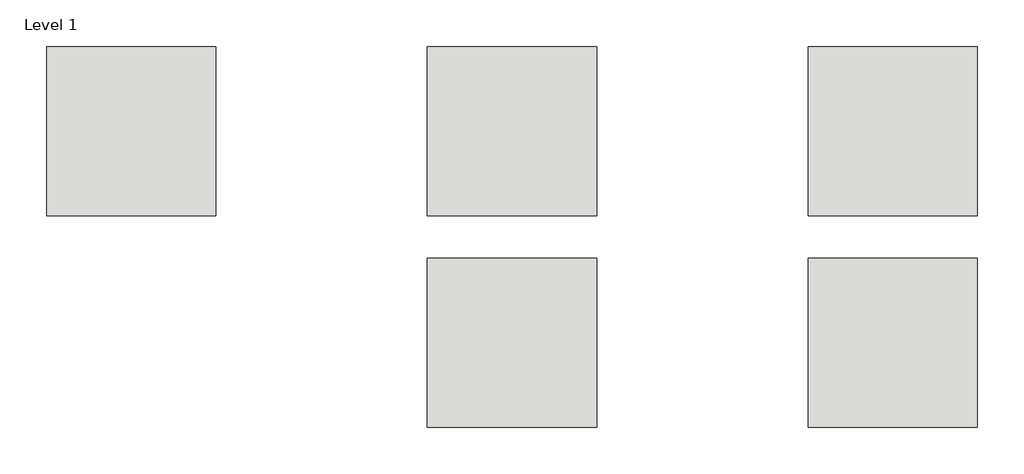
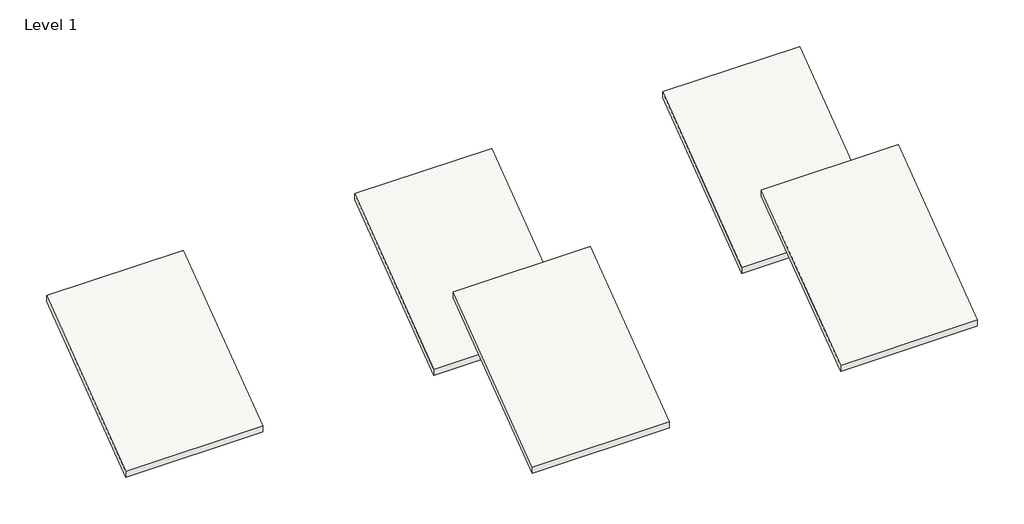
# One storey, part 10 of 10: 5 roofs.
"""IFC4 building model written with IfcOpenShell, lengths in millimetres."""

from ifc_helpers import new_model, si_unit, frame, origin, place, context, project, spatial, polyline, outline, extrude, element, save

model = new_model("IFC4")

# Units and contexts
model_context = context("Model", 3, world=origin())
ifc_project = project(units=[si_unit("LENGTHUNIT", "METRE", prefix="MILLI")], contexts=[model_context])

# Site, building, storey
site = spatial("IfcSite", under=ifc_project)
building = spatial("IfcBuilding", under=site)
storey = spatial("IfcBuildingStorey", under=building, Name="Level 1", Elevation=0.0)

# Roofs
placement = place(None, origin())
element("IfcRoof", 1, at=placement, inside=storey, context=model_context, shape_type="SweptSolid", body=[
    extrude(outline(polyline([(222353.0242732, -45942.0854012), (228449.0242732, -41370.0854012), (228449.0242732, -41655.8354012), (222353.0242732, -46227.8354012), (222353.0242732, -45942.0854012)])), frame((80387.5288668, 0.0, 0.0), z_axis=(1.0, 0.0, 0.0), x_axis=(0.0, 1.0, 0.0)), (0.0, 0.0, 1.0), 6096.0),
])
element("IfcRoof", 2, at=placement, inside=storey, context=model_context, shape_type="SweptSolid", body=[
    extrude(outline(polyline([(222353.0242732, -45942.0854012), (228449.0242732, -41370.0854012), (228449.0242732, -41655.8354012), (222353.0242732, -46227.8354012), (222353.0242732, -45942.0854012)])), frame((94103.5288668, 0.0, 0.0), z_axis=(1.0, 0.0, 0.0), x_axis=(0.0, 1.0, 0.0)), (0.0, 0.0, 1.0), 6096.0),
])
element("IfcRoof", 3, at=placement, inside=storey, context=model_context, shape_type="SweptSolid", body=[
    extrude(outline(polyline([(229973.0242732, -45942.0854012), (236069.0242732, -41370.0854012), (236069.0242732, -41655.8354012), (229973.0242732, -46227.8354012), (229973.0242732, -45942.0854012)])), frame((66671.5288668, 0.0, 0.0), z_axis=(1.0, 0.0, 0.0), x_axis=(0.0, 1.0, 0.0)), (0.0, 0.0, 1.0), 6096.0),
])
element("IfcRoof", 4, at=placement, inside=storey, context=model_context, shape_type="SweptSolid", body=[
    extrude(outline(polyline([(229973.0242732, -45942.0854012), (236069.0242732, -41370.0854012), (236069.0242732, -41655.8354012), (229973.0242732, -46227.8354012), (229973.0242732, -45942.0854012)])), frame((80387.5288668, 0.0, 0.0), z_axis=(1.0, 0.0, 0.0), x_axis=(0.0, 1.0, 0.0)), (0.0, 0.0, 1.0), 6096.0),
])
element("IfcRoof", 5, at=placement, inside=storey, context=model_context, shape_type="SweptSolid", body=[
    extrude(outline(polyline([(229973.0242732, -45942.0854012), (236069.0242732, -41370.0854012), (236069.0242732, -41655.8354012), (229973.0242732, -46227.8354012), (229973.0242732, -45942.0854012)])), frame((94103.5288668, 0.0, 0.0), z_axis=(1.0, 0.0, 0.0), x_axis=(0.0, 1.0, 0.0)), (0.0, 0.0, 1.0), 6096.0),
])

save(model, "model.ifc")
